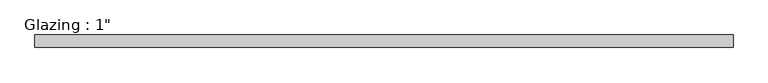
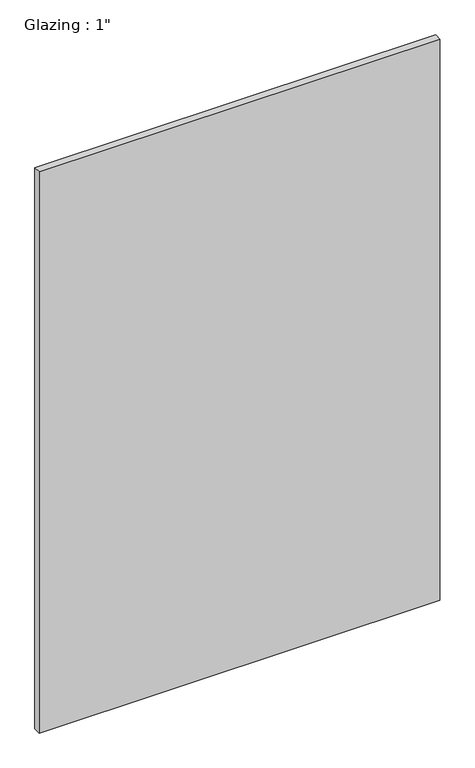
"""IFC4 building model written with IfcOpenShell, lengths in millimetres: plate geometry."""

from ifc_helpers import new_model, si_unit, origin, origin_with_axes, place, context, project, spatial, polyline, outline, extrude, source, transform, mapped, element, save


def plate_8295542e(model_context):
    return source(origin(), model_context, "Body", "SweptSolid", [
        extrude(outline(polyline([(707.3789731, -12.7), (-707.3789731, -12.7), (-707.3789731, 12.7), (707.3789731, 12.7), (707.3789731, -12.7)])), origin_with_axes(), (0.0, 0.0, 1.0), 2094.5430277),
    ])


if __name__ == "__main__":
    model = new_model("IFC4")
    model_context = context("Model", 3, world=origin())
    ifc_project = project(units=[si_unit("LENGTHUNIT", "METRE", prefix="MILLI")], contexts=[model_context])
    site = spatial("IfcSite", under=ifc_project)
    building = spatial("IfcBuilding", under=site)
    placement = place(None, origin())
    plate_shape = plate_8295542e(model_context)
    element("IfcPlate", 1, ObjectType="Glazing : 1\"", at=placement, inside=building, context=model_context, shape_type="MappedRepresentation", body=[
        mapped(plate_shape, transform((0.0, 0.0, 0.0), x_axis=(1.0, 0.0, 0.0), y_axis=(0.0, 1.0, 0.0), z_axis=(0.0, 0.0, 1.0))),
    ])
    save(model, "model.ifc")
